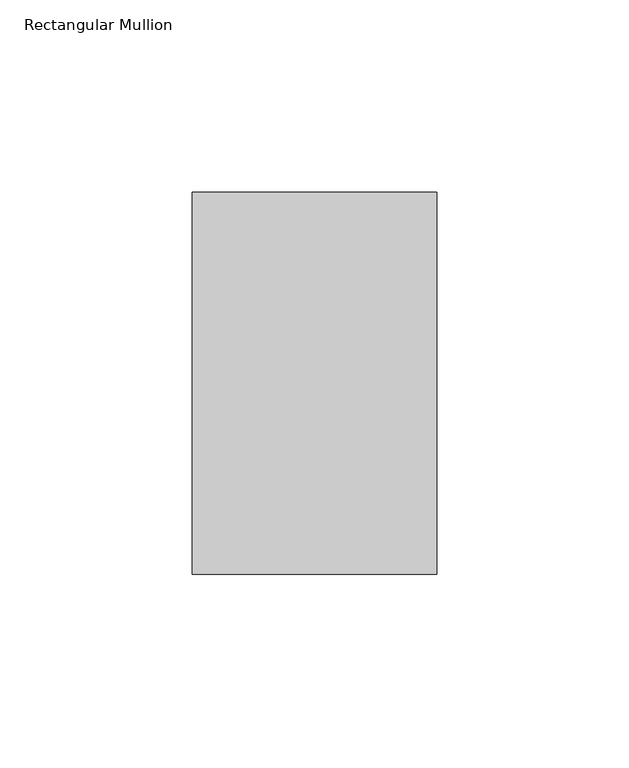
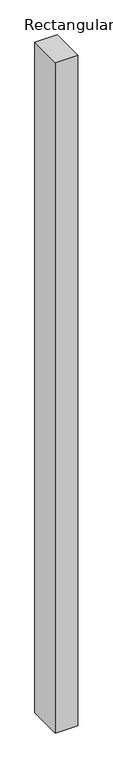
"""IFC4 building model written with IfcOpenShell, lengths in millimetres: member geometry, Rectangular Mullion."""

from ifc_helpers import new_model, si_unit, frame, origin, place, context, project, spatial, polyline, outline, extrude, source, transform, mapped, element, save


def rectangular_mullion_145e524d(model_context):
    return source(origin(), model_context, "Body", "SweptSolid", [
        extrude(outline(polyline([(31.75, 138.7038437), (31.75, 39.3898437), (-31.75, 39.3898437), (-31.75, 138.7038437), (31.75, 138.7038437)])), frame((0.0, 0.0, -2000.2500001), z_axis=(0.0, 0.0, 1.0), x_axis=(1.0, 0.0, 0.0)), (0.0, 0.0, 1.0), 2000.2500001),
    ])


if __name__ == "__main__":
    model = new_model("IFC4")
    model_context = context("Model", 3, world=origin())
    ifc_project = project(units=[si_unit("LENGTHUNIT", "METRE", prefix="MILLI")], contexts=[model_context])
    site = spatial("IfcSite", under=ifc_project)
    building = spatial("IfcBuilding", under=site)
    placement = place(None, origin())
    rectangular_mullion_shape = rectangular_mullion_145e524d(model_context)
    element("IfcMember", 1, ObjectType="Rectangular Mullion", at=placement, inside=building, context=model_context, shape_type="MappedRepresentation", body=[
        mapped(rectangular_mullion_shape, transform((0.0, 0.0, 0.0), x_axis=(1.0, 0.0, 0.0), y_axis=(0.0, 1.0, 0.0), z_axis=(0.0, 0.0, 1.0))),
    ])
    save(model, "model.ifc")
